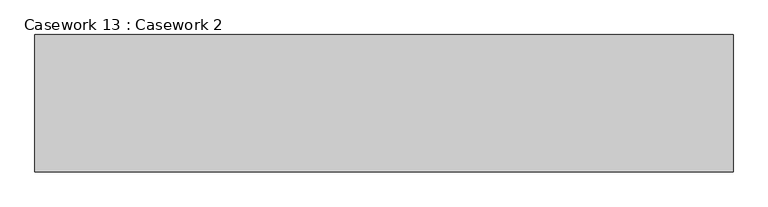
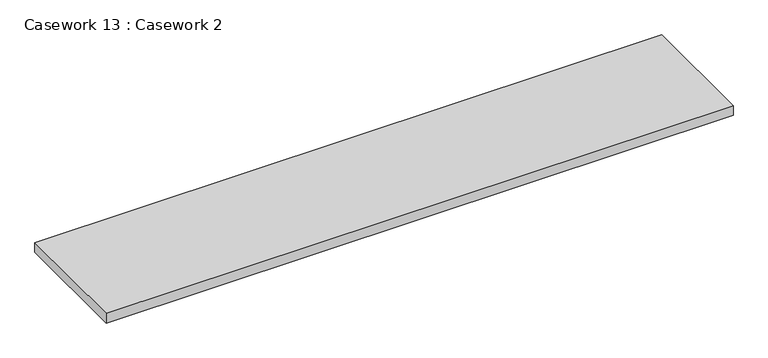
"""IFC4 building model written with IfcOpenShell, lengths in millimetres: furniture geometry, Casework 13 : Casework 2."""

from ifc_helpers import new_model, si_unit, frame, origin, place, context, project, spatial, polyline, outline, extrude, source, transform, mapped, element, save


def casework_13_casework_2_50b3ea10(model_context):
    return source(origin(), model_context, "Body", "SweptSolid", [
        extrude(outline(polyline([(-142509.6223428, 19880.4348289), (-142509.6223428, 19270.8348289), (-145608.4044078, 19270.8348289), (-145608.4044078, 19880.4348289), (-142509.6223428, 19880.4348289)])), frame((0.0, 0.0, 995.2155416), z_axis=(0.0, 0.0, 1.0), x_axis=(1.0, 0.0, 0.0)), (0.0, 0.0, 1.0), 51.1844584),
    ])


if __name__ == "__main__":
    model = new_model("IFC4")
    model_context = context("Model", 3, world=origin())
    ifc_project = project(units=[si_unit("LENGTHUNIT", "METRE", prefix="MILLI")], contexts=[model_context])
    site = spatial("IfcSite", under=ifc_project)
    building = spatial("IfcBuilding", under=site)
    placement = place(None, origin())
    casework_13_casework_2_shape = casework_13_casework_2_50b3ea10(model_context)
    element("IfcFurniture", 1, ObjectType="Casework 13 : Casework 2", at=placement, inside=building, context=model_context, shape_type="MappedRepresentation", body=[
        mapped(casework_13_casework_2_shape, transform((0.0, 0.0, 0.0), x_axis=(1.0, 0.0, 0.0), y_axis=(0.0, 1.0, 0.0), z_axis=(0.0, 0.0, 1.0))),
    ])
    save(model, "model.ifc")
